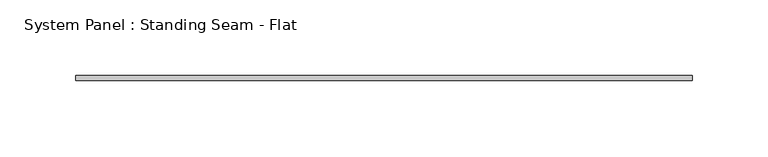
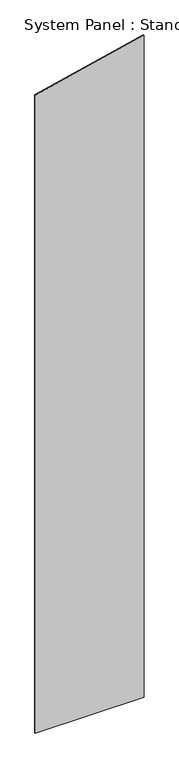
"""IFC4 building model written with IfcOpenShell, lengths in millimetres: plate geometry, System Panel : Standing Seam - Flat."""

from ifc_helpers import new_model, si_unit, frame, origin, place, context, project, spatial, polyline, outline, extrude, source, transform, mapped, element, save


def system_panel_standing_seam_flat_938d1c31(model_context):
    return source(origin(), model_context, "Body", "SweptSolid", [
        extrude(outline(polyline([(0.0, -203.2), (0.0, 203.2), (2610.7257669, 203.2), (2517.3430221, -203.2), (0.0, -203.2)])), frame((0.0, -1.5875, 0.0), z_axis=(0.0, 1.0, 0.0), x_axis=(0.0, 0.0, 1.0)), (0.0, 0.0, 1.0), 3.175),
    ])


if __name__ == "__main__":
    model = new_model("IFC4")
    model_context = context("Model", 3, world=origin())
    ifc_project = project(units=[si_unit("LENGTHUNIT", "METRE", prefix="MILLI")], contexts=[model_context])
    site = spatial("IfcSite", under=ifc_project)
    building = spatial("IfcBuilding", under=site)
    placement = place(None, origin())
    system_panel_standing_seam_flat_shape = system_panel_standing_seam_flat_938d1c31(model_context)
    element("IfcPlate", 1, ObjectType="System Panel : Standing Seam - Flat", at=placement, inside=building, context=model_context, shape_type="MappedRepresentation", body=[
        mapped(system_panel_standing_seam_flat_shape, transform((0.0, 0.0, 0.0), x_axis=(1.0, 0.0, 0.0), y_axis=(0.0, 1.0, 0.0), z_axis=(0.0, 0.0, 1.0))),
    ])
    save(model, "model.ifc")
